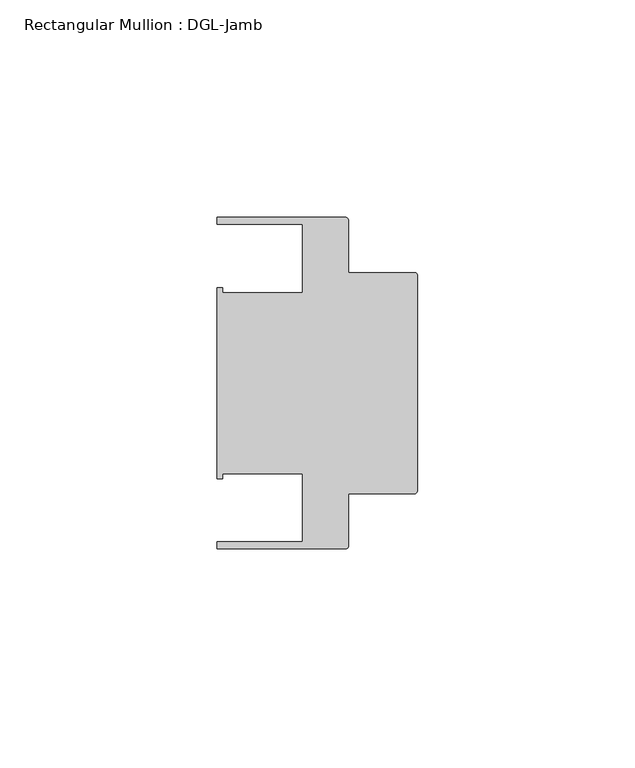
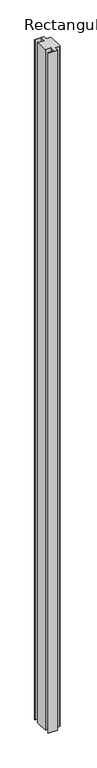
"""IFC4 building model written with IfcOpenShell, lengths in millimetres: member geometry, Rectangular Mullion : DGL-Jamb."""

import ifcopenshell
import ifcopenshell.guid

model = None  # the IFC model being written
_history = None  # IfcOwnerHistory: only IFC2X3 demands one
_inside = {}  # id of a spatial element -> (the spatial element, [elements in it])
_under = {}  # id of a project, library or spatial element -> (it, [spatial elements below it])
_declared = {}  # id of a project -> (the project, [libraries it declares])
_typed = {}  # id of a type object -> (the type object, [elements of that type])
_made_of = {}  # id of a material, layer set ... -> (it, [elements and type objects made of it])


def new_model(schema):
    """Start an empty IFC model of exactly this schema.

    Asked for "IFC4X3", IfcOpenShell would pick the latest addendum, in which some entities
    have other attributes; the version numbers below select the first issue.
    IFC2X3 requires an IfcOwnerHistory on every rooted entity: one is made here for all.
    """
    global model, _history
    if schema == "IFC4X3":
        model = ifcopenshell.file(schema_version=(4, 3, 0, 0))
    else:
        model = ifcopenshell.file(schema=schema)
    _inside.clear()
    _under.clear()
    _declared.clear()
    _typed.clear()
    _made_of.clear()
    _history = None
    if model.schema == "IFC2X3":
        org = make("IfcOrganization", Name="unknown")
        user = make(
            "IfcPersonAndOrganization",
            ThePerson=make("IfcPerson", FamilyName="unknown"),
            TheOrganization=org,
        )
        app = make(
            "IfcApplication",
            ApplicationDeveloper=org,
            Version="unknown",
            ApplicationFullName="unknown",
            ApplicationIdentifier="unknown",
        )
        _history = make(
            "IfcOwnerHistory",
            OwningUser=user,
            OwningApplication=app,
            ChangeAction="ADDED",
            CreationDate=0,
        )
    return model


def make(cls, **values):
    """One entity of the class cls with the attributes given. An attribute that is None is left unset."""
    return model.create_entity(
        cls, **{name: value for name, value in values.items() if value is not None}
    )


def rooted(cls, **values):
    """An entity with a GlobalId (a new one), such as an element, a storey or a relation."""
    return make(cls, GlobalId=ifcopenshell.guid.new(), OwnerHistory=_history, **values)


def si_unit(unit_type, name, prefix=None):
    """IfcSIUnit, for example si_unit("LENGTHUNIT", "METRE", prefix="MILLI")."""
    return make("IfcSIUnit", UnitType=unit_type, Prefix=prefix, Name=name)


def assignment(units):
    """IfcUnitAssignment: the units of a project."""
    return None if units is None else make("IfcUnitAssignment", Units=units)


def point(xyz):
    """IfcCartesianPoint."""
    return None if xyz is None else make("IfcCartesianPoint", Coordinates=xyz)


def direction(xyz):
    """IfcDirection."""
    return None if xyz is None else make("IfcDirection", DirectionRatios=xyz)


def frame(location, z_axis=None, x_axis=None):
    """IfcAxis2Placement3D, a coordinate frame: its origin and axes. An axis left out is left unset."""
    return make(
        "IfcAxis2Placement3D",
        Location=point(location),
        Axis=direction(z_axis),
        RefDirection=direction(x_axis),
    )


def frame_2d(location, x_axis=None):
    """IfcAxis2Placement2D, a coordinate frame in the plane: its origin and x axis."""
    return make(
        "IfcAxis2Placement2D", Location=point(location), RefDirection=direction(x_axis)
    )


def origin():
    """The frame at (0, 0, 0) with its axes left unset."""
    return frame((0.0, 0.0, 0.0))


def place(relative_to, where):
    """IfcLocalPlacement: puts the frame where relative to a parent placement (None: the world)."""
    return make(
        "IfcLocalPlacement", PlacementRelTo=relative_to, RelativePlacement=where
    )


def context(
    kind, dimensions, precision=None, world=None, true_north=None, identifier=None
):
    """IfcGeometricRepresentationContext, for example the 3D "Model" context."""
    return make(
        "IfcGeometricRepresentationContext",
        ContextIdentifier=identifier,
        ContextType=kind,
        CoordinateSpaceDimension=dimensions,
        Precision=precision,
        WorldCoordinateSystem=world,
        TrueNorth=true_north,
    )


def project(units=None, contexts=None):
    """IfcProject with its units and contexts."""
    return rooted(
        "IfcProject",
        Name="project",
        RepresentationContexts=contexts,
        UnitsInContext=assignment(units),
    )


def spatial(cls, under=None, at=None, **own):
    """A site, building, storey or space (cls), placed at a placement, below another one or the project."""
    s = rooted(cls, ObjectPlacement=at, **own)
    if under is not None:
        _under.setdefault(under.id(), (under, []))[1].append(s)
    return s


def polyline(points):
    """IfcPolyline through the points."""
    return make("IfcPolyline", Points=[point(p) for p in points])


def circle_curve(where, radius):
    """IfcCircle in the frame where."""
    return make("IfcCircle", Position=where, Radius=radius)


def trimmed(basis, trim1, trim2, sense, master):
    """IfcTrimmedCurve: the piece of a basis curve between two trims."""
    return make(
        "IfcTrimmedCurve",
        BasisCurve=basis,
        Trim1=trim1,
        Trim2=trim2,
        SenseAgreement=sense,
        MasterRepresentation=master,
    )


def segment(curve, same_sense, transition):
    """IfcCompositeCurveSegment."""
    return make(
        "IfcCompositeCurveSegment",
        Transition=transition,
        SameSense=same_sense,
        ParentCurve=curve,
    )


def composite_curve(segments, self_intersect=None):
    """IfcCompositeCurve: segments joined end to end."""
    return make("IfcCompositeCurve", Segments=segments, SelfIntersect=self_intersect)


def outline(outer, holes=None, kind="AREA"):
    """IfcArbitraryClosedProfileDef: a profile drawn as a closed curve; with holes, ...WithVoids."""
    if holes is None:
        return make("IfcArbitraryClosedProfileDef", ProfileType=kind, OuterCurve=outer)
    return make(
        "IfcArbitraryProfileDefWithVoids",
        ProfileType=kind,
        OuterCurve=outer,
        InnerCurves=holes,
    )


def extrude(swept, where, along, depth):
    """IfcExtrudedAreaSolid: the profile swept, set in the frame where, extruded along a direction by depth."""
    return make(
        "IfcExtrudedAreaSolid",
        SweptArea=swept,
        Position=where,
        ExtrudedDirection=direction(along),
        Depth=depth,
    )


def shape(context_of_items, identifier, shape_type, items):
    """IfcShapeRepresentation: the items that make up one representation, for example the "Body"."""
    return make(
        "IfcShapeRepresentation",
        ContextOfItems=context_of_items,
        RepresentationIdentifier=identifier,
        RepresentationType=shape_type,
        Items=items,
    )


def source(mapping_origin, context_of_items, identifier, shape_type, items):
    """IfcRepresentationMap: a shape defined once, which mapped items show again and again."""
    return make(
        "IfcRepresentationMap",
        MappingOrigin=mapping_origin,
        MappedRepresentation=shape(context_of_items, identifier, shape_type, items),
    )


def transform(
    local_origin,
    x_axis=None,
    y_axis=None,
    z_axis=None,
    scale=None,
    scale2=None,
    scale3=None,
    uniform=True,
):
    """IfcCartesianTransformationOperator3D, or its non-uniform kind. x_axis, y_axis, z_axis: its Axis1, 2, 3."""
    if uniform:
        return make(
            "IfcCartesianTransformationOperator3D",
            Axis1=direction(x_axis),
            Axis2=direction(y_axis),
            LocalOrigin=point(local_origin),
            Scale=scale,
            Axis3=direction(z_axis),
        )
    return make(
        "IfcCartesianTransformationOperator3DnonUniform",
        Axis1=direction(x_axis),
        Axis2=direction(y_axis),
        LocalOrigin=point(local_origin),
        Scale=scale,
        Axis3=direction(z_axis),
        Scale2=scale2,
        Scale3=scale3,
    )


def mapped(mapping_source, mapping_target):
    """IfcMappedItem: shows the shape of a source again, moved by a transform."""
    return make(
        "IfcMappedItem", MappingSource=mapping_source, MappingTarget=mapping_target
    )


def made_of(thing, what):
    """Note that an element or type object is made of a material, layer set ...; save() writes the relation."""
    if what is not None:
        _made_of.setdefault(what.id(), (what, []))[1].append(thing)
    return thing


def element(
    cls,
    number,
    at=None,
    inside=None,
    cuts=None,
    type_object=None,
    material=None,
    context=None,
    identifier="Body",
    shape_type=None,
    held_by="IfcProductDefinitionShape",
    body=None,
    shapes=None,
    **own,
):
    """One element of the class cls, such as IfcWall. Its Tag is "e" and its number.

    at: its placement. inside: the storey or other place that contains it. cuts: it is an
    opening in that element (IfcRelVoidsElement). A single representation is given by context,
    identifier, shape_type and body (its items); several are given by shapes. held_by: the class
    of the entity that holds the representations. save() writes the other relations.
    """
    e = rooted(cls, Tag="e%d" % number, ObjectPlacement=at, **own)
    if body is not None:
        shapes = [shape(context, identifier, shape_type, body)]
    if shapes is not None:
        e.Representation = make(held_by, Representations=shapes)
    if inside is not None:
        _inside.setdefault(inside.id(), (inside, []))[1].append(e)
    if cuts is not None:
        rooted(
            "IfcRelVoidsElement", RelatingBuildingElement=cuts, RelatedOpeningElement=e
        )
    if type_object is not None:
        _typed.setdefault(type_object.id(), (type_object, []))[1].append(e)
    return made_of(e, material)


def aggregate(whole, parts):
    """IfcRelAggregates: a whole, such as a stair, and the parts it consists of."""
    return rooted("IfcRelAggregates", RelatingObject=whole, RelatedObjects=parts)


def save(model, path):
    """Write the relations noted so far, then the file.

    IfcRelAggregates (storeys below a building ...), IfcRelContainedInSpatialStructure (elements
    in a storey), IfcRelDefinesByType, IfcRelAssociatesMaterial and IfcRelDeclares: one each for
    every whole, place, type object, material and project.
    """
    for whole, parts in _under.values():
        aggregate(whole, parts)
    for where, things in _inside.values():
        rooted(
            "IfcRelContainedInSpatialStructure",
            RelatedElements=things,
            RelatingStructure=where,
        )
    for kind, things in _typed.values():
        rooted("IfcRelDefinesByType", RelatedObjects=things, RelatingType=kind)
    for what, things in _made_of.values():
        rooted("IfcRelAssociatesMaterial", RelatedObjects=things, RelatingMaterial=what)
    for by, libraries in _declared.values():
        rooted("IfcRelDeclares", RelatingContext=by, RelatedDefinitions=libraries)
    model.write(path)


def rectangular_mullion_dgl_jamb_4955cb33(model_context):
    return source(origin(), model_context, "Body", "SweptSolid", [
        extrude(outline(composite_curve([segment(polyline([(-0.5953125, -25.4), (-15.8750672, -25.4), (-15.8750672, -37.5043667)]), True, "CONTINUOUS"), segment(trimmed(circle_curve(frame_2d((-16.4703797, -37.5043667)), 0.5953125), [point((-15.8750672, -37.5043667))], [point((-16.4703797, -38.0996792))], False, "CARTESIAN"), True, "CONTINUOUS"), segment(polyline([(-16.4703797, -38.0996792), (-46.0339598, -38.0996792), (-46.0339598, -36.512516), (-26.3720794, -36.512516), (-26.3720794, -20.8257348), (-44.7780305, -20.8257348), (-44.7780305, -21.9710976), (-46.0339598, -21.9710976), (-46.0339598, 21.9710976), (-44.7780305, 21.9710976), (-44.7780305, 20.8257348), (-26.3720794, 20.8257348), (-26.3720794, 36.512516), (-46.0248655, 36.512516), (-46.0248655, 38.100016), (-16.4703797, 38.100016)]), True, "CONTINUOUS"), segment(trimmed(circle_curve(frame_2d((-16.4703797, 37.5047035)), 0.5953125), [point((-16.4703797, 38.100016))], [point((-15.8750672, 37.5047035))], False, "CARTESIAN"), True, "CONTINUOUS"), segment(polyline([(-15.8750672, 37.5047035), (-15.8750672, 25.4), (-0.5953125, 25.4)]), True, "CONTINUOUS"), segment(trimmed(circle_curve(frame_2d((-0.5953125, 24.8046875)), 0.5953125), [point((-0.5953125, 25.4))], [point((0.0, 24.8046875))], False, "CARTESIAN"), True, "CONTINUOUS"), segment(polyline([(0.0, 24.8046875), (0.0, -24.8046875)]), True, "CONTINUOUS"), segment(trimmed(circle_curve(frame_2d((-0.5953125, -24.8046875)), 0.5953125), [point((0.0, -24.8046875))], [point((-0.5953125, -25.4))], False, "CARTESIAN"), True, "CONTINUOUS")], self_intersect=False)), frame((0.0, 0.0, -2339.4648576), z_axis=(0.0, 0.0, 1.0), x_axis=(1.0, 0.0, 0.0)), (0.0, 0.0, 1.0), 2339.4648576),
    ])


if __name__ == "__main__":
    model = new_model("IFC4")
    model_context = context("Model", 3, world=origin())
    ifc_project = project(units=[si_unit("LENGTHUNIT", "METRE", prefix="MILLI")], contexts=[model_context])
    site = spatial("IfcSite", under=ifc_project)
    building = spatial("IfcBuilding", under=site)
    placement = place(None, origin())
    rectangular_mullion_dgl_jamb_shape = rectangular_mullion_dgl_jamb_4955cb33(model_context)
    element("IfcMember", 1, ObjectType="Rectangular Mullion : DGL-Jamb", at=placement, inside=building, context=model_context, shape_type="MappedRepresentation", body=[
        mapped(rectangular_mullion_dgl_jamb_shape, transform((0.0, 0.0, 0.0), x_axis=(1.0, 0.0, 0.0), y_axis=(0.0, 1.0, 0.0), z_axis=(0.0, 0.0, 1.0))),
    ])
    save(model, "model.ifc")
